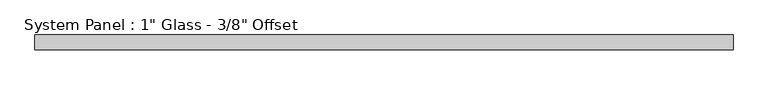
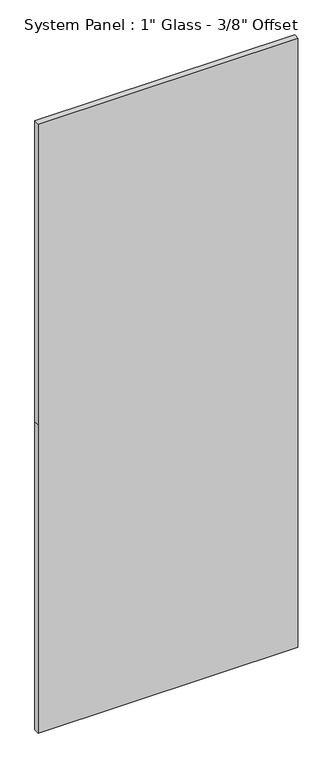
"""IFC4 building model written with IfcOpenShell, lengths in millimetres: plate geometry."""

import ifcopenshell
import ifcopenshell.guid

model = None  # the IFC model being written
_history = None  # IfcOwnerHistory: only IFC2X3 demands one
_inside = {}  # id of a spatial element -> (the spatial element, [elements in it])
_under = {}  # id of a project, library or spatial element -> (it, [spatial elements below it])
_declared = {}  # id of a project -> (the project, [libraries it declares])
_typed = {}  # id of a type object -> (the type object, [elements of that type])
_made_of = {}  # id of a material, layer set ... -> (it, [elements and type objects made of it])


def new_model(schema):
    """Start an empty IFC model of exactly this schema.

    Asked for "IFC4X3", IfcOpenShell would pick the latest addendum, in which some entities
    have other attributes; the version numbers below select the first issue.
    IFC2X3 requires an IfcOwnerHistory on every rooted entity: one is made here for all.
    """
    global model, _history
    if schema == "IFC4X3":
        model = ifcopenshell.file(schema_version=(4, 3, 0, 0))
    else:
        model = ifcopenshell.file(schema=schema)
    _inside.clear()
    _under.clear()
    _declared.clear()
    _typed.clear()
    _made_of.clear()
    _history = None
    if model.schema == "IFC2X3":
        org = make("IfcOrganization", Name="unknown")
        user = make(
            "IfcPersonAndOrganization",
            ThePerson=make("IfcPerson", FamilyName="unknown"),
            TheOrganization=org,
        )
        app = make(
            "IfcApplication",
            ApplicationDeveloper=org,
            Version="unknown",
            ApplicationFullName="unknown",
            ApplicationIdentifier="unknown",
        )
        _history = make(
            "IfcOwnerHistory",
            OwningUser=user,
            OwningApplication=app,
            ChangeAction="ADDED",
            CreationDate=0,
        )
    return model


def make(cls, **values):
    """One entity of the class cls with the attributes given. An attribute that is None is left unset."""
    return model.create_entity(
        cls, **{name: value for name, value in values.items() if value is not None}
    )


def rooted(cls, **values):
    """An entity with a GlobalId (a new one), such as an element, a storey or a relation."""
    return make(cls, GlobalId=ifcopenshell.guid.new(), OwnerHistory=_history, **values)


def si_unit(unit_type, name, prefix=None):
    """IfcSIUnit, for example si_unit("LENGTHUNIT", "METRE", prefix="MILLI")."""
    return make("IfcSIUnit", UnitType=unit_type, Prefix=prefix, Name=name)


def assignment(units):
    """IfcUnitAssignment: the units of a project."""
    return None if units is None else make("IfcUnitAssignment", Units=units)


def point(xyz):
    """IfcCartesianPoint."""
    return None if xyz is None else make("IfcCartesianPoint", Coordinates=xyz)


def direction(xyz):
    """IfcDirection."""
    return None if xyz is None else make("IfcDirection", DirectionRatios=xyz)


def frame(location, z_axis=None, x_axis=None):
    """IfcAxis2Placement3D, a coordinate frame: its origin and axes. An axis left out is left unset."""
    return make(
        "IfcAxis2Placement3D",
        Location=point(location),
        Axis=direction(z_axis),
        RefDirection=direction(x_axis),
    )


def origin():
    """The frame at (0, 0, 0) with its axes left unset."""
    return frame((0.0, 0.0, 0.0))


def place(relative_to, where):
    """IfcLocalPlacement: puts the frame where relative to a parent placement (None: the world)."""
    return make(
        "IfcLocalPlacement", PlacementRelTo=relative_to, RelativePlacement=where
    )


def context(
    kind, dimensions, precision=None, world=None, true_north=None, identifier=None
):
    """IfcGeometricRepresentationContext, for example the 3D "Model" context."""
    return make(
        "IfcGeometricRepresentationContext",
        ContextIdentifier=identifier,
        ContextType=kind,
        CoordinateSpaceDimension=dimensions,
        Precision=precision,
        WorldCoordinateSystem=world,
        TrueNorth=true_north,
    )


def project(units=None, contexts=None):
    """IfcProject with its units and contexts."""
    return rooted(
        "IfcProject",
        Name="project",
        RepresentationContexts=contexts,
        UnitsInContext=assignment(units),
    )


def spatial(cls, under=None, at=None, **own):
    """A site, building, storey or space (cls), placed at a placement, below another one or the project."""
    s = rooted(cls, ObjectPlacement=at, **own)
    if under is not None:
        _under.setdefault(under.id(), (under, []))[1].append(s)
    return s


def polyline(points):
    """IfcPolyline through the points."""
    return make("IfcPolyline", Points=[point(p) for p in points])


def outline(outer, holes=None, kind="AREA"):
    """IfcArbitraryClosedProfileDef: a profile drawn as a closed curve; with holes, ...WithVoids."""
    if holes is None:
        return make("IfcArbitraryClosedProfileDef", ProfileType=kind, OuterCurve=outer)
    return make(
        "IfcArbitraryProfileDefWithVoids",
        ProfileType=kind,
        OuterCurve=outer,
        InnerCurves=holes,
    )


def extrude(swept, where, along, depth):
    """IfcExtrudedAreaSolid: the profile swept, set in the frame where, extruded along a direction by depth."""
    return make(
        "IfcExtrudedAreaSolid",
        SweptArea=swept,
        Position=where,
        ExtrudedDirection=direction(along),
        Depth=depth,
    )


def shape(context_of_items, identifier, shape_type, items):
    """IfcShapeRepresentation: the items that make up one representation, for example the "Body"."""
    return make(
        "IfcShapeRepresentation",
        ContextOfItems=context_of_items,
        RepresentationIdentifier=identifier,
        RepresentationType=shape_type,
        Items=items,
    )


def source(mapping_origin, context_of_items, identifier, shape_type, items):
    """IfcRepresentationMap: a shape defined once, which mapped items show again and again."""
    return make(
        "IfcRepresentationMap",
        MappingOrigin=mapping_origin,
        MappedRepresentation=shape(context_of_items, identifier, shape_type, items),
    )


def transform(
    local_origin,
    x_axis=None,
    y_axis=None,
    z_axis=None,
    scale=None,
    scale2=None,
    scale3=None,
    uniform=True,
):
    """IfcCartesianTransformationOperator3D, or its non-uniform kind. x_axis, y_axis, z_axis: its Axis1, 2, 3."""
    if uniform:
        return make(
            "IfcCartesianTransformationOperator3D",
            Axis1=direction(x_axis),
            Axis2=direction(y_axis),
            LocalOrigin=point(local_origin),
            Scale=scale,
            Axis3=direction(z_axis),
        )
    return make(
        "IfcCartesianTransformationOperator3DnonUniform",
        Axis1=direction(x_axis),
        Axis2=direction(y_axis),
        LocalOrigin=point(local_origin),
        Scale=scale,
        Axis3=direction(z_axis),
        Scale2=scale2,
        Scale3=scale3,
    )


def mapped(mapping_source, mapping_target):
    """IfcMappedItem: shows the shape of a source again, moved by a transform."""
    return make(
        "IfcMappedItem", MappingSource=mapping_source, MappingTarget=mapping_target
    )


def made_of(thing, what):
    """Note that an element or type object is made of a material, layer set ...; save() writes the relation."""
    if what is not None:
        _made_of.setdefault(what.id(), (what, []))[1].append(thing)
    return thing


def element(
    cls,
    number,
    at=None,
    inside=None,
    cuts=None,
    type_object=None,
    material=None,
    context=None,
    identifier="Body",
    shape_type=None,
    held_by="IfcProductDefinitionShape",
    body=None,
    shapes=None,
    **own,
):
    """One element of the class cls, such as IfcWall. Its Tag is "e" and its number.

    at: its placement. inside: the storey or other place that contains it. cuts: it is an
    opening in that element (IfcRelVoidsElement). A single representation is given by context,
    identifier, shape_type and body (its items); several are given by shapes. held_by: the class
    of the entity that holds the representations. save() writes the other relations.
    """
    e = rooted(cls, Tag="e%d" % number, ObjectPlacement=at, **own)
    if body is not None:
        shapes = [shape(context, identifier, shape_type, body)]
    if shapes is not None:
        e.Representation = make(held_by, Representations=shapes)
    if inside is not None:
        _inside.setdefault(inside.id(), (inside, []))[1].append(e)
    if cuts is not None:
        rooted(
            "IfcRelVoidsElement", RelatingBuildingElement=cuts, RelatedOpeningElement=e
        )
    if type_object is not None:
        _typed.setdefault(type_object.id(), (type_object, []))[1].append(e)
    return made_of(e, material)


def aggregate(whole, parts):
    """IfcRelAggregates: a whole, such as a stair, and the parts it consists of."""
    return rooted("IfcRelAggregates", RelatingObject=whole, RelatedObjects=parts)


def save(model, path):
    """Write the relations noted so far, then the file.

    IfcRelAggregates (storeys below a building ...), IfcRelContainedInSpatialStructure (elements
    in a storey), IfcRelDefinesByType, IfcRelAssociatesMaterial and IfcRelDeclares: one each for
    every whole, place, type object, material and project.
    """
    for whole, parts in _under.values():
        aggregate(whole, parts)
    for where, things in _inside.values():
        rooted(
            "IfcRelContainedInSpatialStructure",
            RelatedElements=things,
            RelatingStructure=where,
        )
    for kind, things in _typed.values():
        rooted("IfcRelDefinesByType", RelatedObjects=things, RelatingType=kind)
    for what, things in _made_of.values():
        rooted("IfcRelAssociatesMaterial", RelatedObjects=things, RelatingMaterial=what)
    for by, libraries in _declared.values():
        rooted("IfcRelDeclares", RelatingContext=by, RelatedDefinitions=libraries)
    model.write(path)


def plate_afec622b(model_context):
    return source(origin(), model_context, "Body", "SweptSolid", [
        extrude(outline(polyline([(0.0, -596.9), (0.0, 596.9), (1498.6, 596.9), (2959.1, 596.9), (2959.1, -596.9), (1498.6, -596.9), (0.0, -596.9)])), frame((0.0, -3.175, 0.0), z_axis=(0.0, 1.0, 0.0), x_axis=(0.0, 0.0, 1.0)), (0.0, 0.0, 1.0), 25.4),
    ])


if __name__ == "__main__":
    model = new_model("IFC4")
    model_context = context("Model", 3, world=origin())
    ifc_project = project(units=[si_unit("LENGTHUNIT", "METRE", prefix="MILLI")], contexts=[model_context])
    site = spatial("IfcSite", under=ifc_project)
    building = spatial("IfcBuilding", under=site)
    placement = place(None, origin())
    plate_shape = plate_afec622b(model_context)
    element("IfcPlate", 1, ObjectType="System Panel : 1\" Glass - 3/8\" Offset", at=placement, inside=building, context=model_context, shape_type="MappedRepresentation", body=[
        mapped(plate_shape, transform((0.0, 0.0, 0.0), x_axis=(1.0, 0.0, 0.0), y_axis=(0.0, 1.0, 0.0), z_axis=(0.0, 0.0, 1.0))),
    ])
    save(model, "model.ifc")
